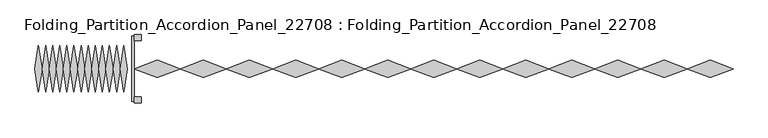
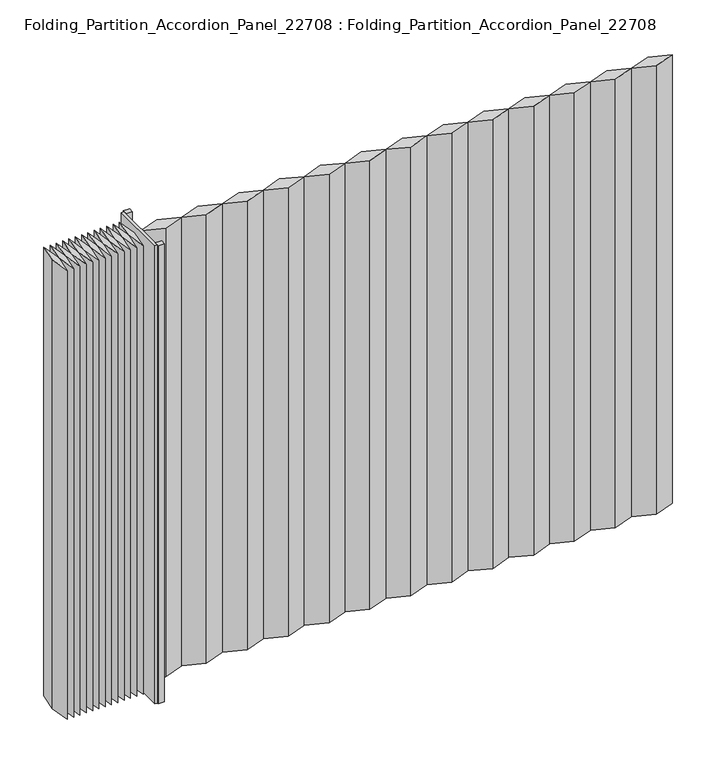
"""IFC4 building model written with IfcOpenShell, lengths in millimetres: proxy geometry, Folding_Partition_Accordion_Panel_22708 : Folding_Partition_Accordion_Panel_22708."""

from ifc_helpers import new_model, si_unit, frame, origin, origin_with_axes, place, context, project, spatial, polyline, outline, extrude, source, transform, mapped, element, save


def folding_partition_accordion_panel_22708_folding_partition_d34e0acf(model_context):
    return source(origin(), model_context, "Body", "SweptSolid", [
        extrude(outline(polyline([(-79.375, 102.9432692), (-63.5, 0.0), (-79.375, -102.9432692), (-95.25, 0.0), (-79.375, 102.9432692)])), frame((0.0, 0.0, 38.1), z_axis=(0.0, 0.0, 1.0), x_axis=(1.0, 0.0, 0.0)), (0.0, 0.0, 1.0), 2387.6),
        extrude(outline(polyline([(2541.8317308, 38.1), (2644.775, 0.0), (2541.8317308, -38.1), (2438.8884615, 0.0), (2541.8317308, 38.1)])), frame((0.0, 0.0, 38.1), z_axis=(0.0, 0.0, 1.0), x_axis=(1.0, 0.0, 0.0)), (0.0, 0.0, 1.0), 2387.6),
        extrude(outline(polyline([(-111.125, 102.9432692), (-95.25, 0.0), (-111.125, -102.9432692), (-127.0, 0.0), (-111.125, 102.9432692)])), frame((0.0, 0.0, 38.1), z_axis=(0.0, 0.0, 1.0), x_axis=(1.0, 0.0, 0.0)), (0.0, 0.0, 1.0), 2387.6),
        extrude(outline(polyline([(-142.875, 102.9432692), (-127.0, 0.0), (-142.875, -102.9432692), (-158.75, 0.0), (-142.875, 102.9432692)])), frame((0.0, 0.0, 38.1), z_axis=(0.0, 0.0, 1.0), x_axis=(1.0, 0.0, 0.0)), (0.0, 0.0, 1.0), 2387.6),
        extrude(outline(polyline([(-174.625, 102.9432692), (-158.75, 0.0), (-174.625, -102.9432692), (-190.5, 0.0), (-174.625, 102.9432692)])), frame((0.0, 0.0, 38.1), z_axis=(0.0, 0.0, 1.0), x_axis=(1.0, 0.0, 0.0)), (0.0, 0.0, 1.0), 2387.6),
        extrude(outline(polyline([(2335.9451923, 38.1), (2438.8884615, 0.0), (2335.9451923, -38.1), (2233.0019231, 0.0), (2335.9451923, 38.1)])), frame((0.0, 0.0, 38.1), z_axis=(0.0, 0.0, 1.0), x_axis=(1.0, 0.0, 0.0)), (0.0, 0.0, 1.0), 2387.6),
        extrude(outline(polyline([(2130.0586538, 38.1), (2233.0019231, 0.0), (2130.0586538, -38.1), (2027.1153846, 0.0), (2130.0586538, 38.1)])), frame((0.0, 0.0, 38.1), z_axis=(0.0, 0.0, 1.0), x_axis=(1.0, 0.0, 0.0)), (0.0, 0.0, 1.0), 2387.6),
        extrude(outline(polyline([(1924.1721154, 38.1), (2027.1153846, 0.0), (1924.1721154, -38.1), (1821.2288462, 0.0), (1924.1721154, 38.1)])), frame((0.0, 0.0, 38.1), z_axis=(0.0, 0.0, 1.0), x_axis=(1.0, 0.0, 0.0)), (0.0, 0.0, 1.0), 2387.6),
        extrude(outline(polyline([(-206.375, 102.9432692), (-190.5, 0.0), (-206.375, -102.9432692), (-222.25, 0.0), (-206.375, 102.9432692)])), frame((0.0, 0.0, 38.1), z_axis=(0.0, 0.0, 1.0), x_axis=(1.0, 0.0, 0.0)), (0.0, 0.0, 1.0), 2387.6),
        extrude(outline(polyline([(-238.125, 102.9432692), (-222.25, 0.0), (-238.125, -102.9432692), (-254.0, 0.0), (-238.125, 102.9432692)])), frame((0.0, 0.0, 38.1), z_axis=(0.0, 0.0, 1.0), x_axis=(1.0, 0.0, 0.0)), (0.0, 0.0, 1.0), 2387.6),
        extrude(outline(polyline([(-269.875, 102.9432692), (-254.0, 0.0), (-269.875, -102.9432692), (-285.75, 0.0), (-269.875, 102.9432692)])), frame((0.0, 0.0, 38.1), z_axis=(0.0, 0.0, 1.0), x_axis=(1.0, 0.0, 0.0)), (0.0, 0.0, 1.0), 2387.6),
        extrude(outline(polyline([(-301.625, 102.9432692), (-285.75, 0.0), (-301.625, -102.9432692), (-317.5, 0.0), (-301.625, 102.9432692)])), frame((0.0, 0.0, 38.1), z_axis=(0.0, 0.0, 1.0), x_axis=(1.0, 0.0, 0.0)), (0.0, 0.0, 1.0), 2387.6),
        extrude(outline(polyline([(-333.375, 102.9432692), (-317.5, 0.0), (-333.375, -102.9432692), (-349.25, 0.0), (-333.375, 102.9432692)])), frame((0.0, 0.0, 38.1), z_axis=(0.0, 0.0, 1.0), x_axis=(1.0, 0.0, 0.0)), (0.0, 0.0, 1.0), 2387.6),
        extrude(outline(polyline([(-365.125, 102.9432692), (-349.25, 0.0), (-365.125, -102.9432692), (-381.0, 0.0), (-365.125, 102.9432692)])), frame((0.0, 0.0, 38.1), z_axis=(0.0, 0.0, 1.0), x_axis=(1.0, 0.0, 0.0)), (0.0, 0.0, 1.0), 2387.6),
        extrude(outline(polyline([(-396.875, 102.9432692), (-381.0, 0.0), (-396.875, -102.9432692), (-412.75, 0.0), (-396.875, 102.9432692)])), frame((0.0, 0.0, 38.1), z_axis=(0.0, 0.0, 1.0), x_axis=(1.0, 0.0, 0.0)), (0.0, 0.0, 1.0), 2387.6),
        extrude(outline(polyline([(-428.625, 102.9432692), (-412.75, 0.0), (-428.625, -102.9432692), (-444.5, 0.0), (-428.625, 102.9432692)])), frame((0.0, 0.0, 38.1), z_axis=(0.0, 0.0, 1.0), x_axis=(1.0, 0.0, 0.0)), (0.0, 0.0, 1.0), 2387.6),
        extrude(outline(polyline([(-460.375, 102.9432692), (-444.5, 0.0), (-460.375, -102.9432692), (-476.25, 0.0), (-460.375, 102.9432692)])), frame((0.0, 0.0, 38.1), z_axis=(0.0, 0.0, 1.0), x_axis=(1.0, 0.0, 0.0)), (0.0, 0.0, 1.0), 2387.6),
        extrude(outline(polyline([(1718.2855769, 38.1), (1821.2288462, 0.0), (1718.2855769, -38.1), (1615.3423077, 0.0), (1718.2855769, 38.1)])), frame((0.0, 0.0, 38.1), z_axis=(0.0, 0.0, 1.0), x_axis=(1.0, 0.0, 0.0)), (0.0, 0.0, 1.0), 2387.6),
        extrude(outline(polyline([(1512.3990385, 38.1), (1615.3423077, 0.0), (1512.3990385, -38.1), (1409.4557692, 0.0), (1512.3990385, 38.1)])), frame((0.0, 0.0, 38.1), z_axis=(0.0, 0.0, 1.0), x_axis=(1.0, 0.0, 0.0)), (0.0, 0.0, 1.0), 2387.6),
        extrude(outline(polyline([(1306.5125, 38.1), (1409.4557692, 0.0), (1306.5125, -38.1), (1203.5692308, 0.0), (1306.5125, 38.1)])), frame((0.0, 0.0, 38.1), z_axis=(0.0, 0.0, 1.0), x_axis=(1.0, 0.0, 0.0)), (0.0, 0.0, 1.0), 2387.6),
        extrude(outline(polyline([(1100.6259615, 38.1), (1203.5692308, 0.0), (1100.6259615, -38.1), (997.6826923, 0.0), (1100.6259615, 38.1)])), frame((0.0, 0.0, 38.1), z_axis=(0.0, 0.0, 1.0), x_axis=(1.0, 0.0, 0.0)), (0.0, 0.0, 1.0), 2387.6),
        extrude(outline(polyline([(894.7394231, 38.1), (997.6826923, 0.0), (894.7394231, -38.1), (791.7961538, 0.0), (894.7394231, 38.1)])), frame((0.0, 0.0, 38.1), z_axis=(0.0, 0.0, 1.0), x_axis=(1.0, 0.0, 0.0)), (0.0, 0.0, 1.0), 2387.6),
        extrude(outline(polyline([(688.8528846, 38.1), (791.7961538, 0.0), (688.8528846, -38.1), (585.9096154, 0.0), (688.8528846, 38.1)])), frame((0.0, 0.0, 38.1), z_axis=(0.0, 0.0, 1.0), x_axis=(1.0, 0.0, 0.0)), (0.0, 0.0, 1.0), 2387.6),
        extrude(outline(polyline([(482.9663462, 38.1), (585.9096154, 0.0), (482.9663462, -38.1), (380.0230769, 0.0), (482.9663462, 38.1)])), frame((0.0, 0.0, 38.1), z_axis=(0.0, 0.0, 1.0), x_axis=(1.0, 0.0, 0.0)), (0.0, 0.0, 1.0), 2387.6),
        extrude(outline(polyline([(277.0798077, 38.1), (380.0230769, 0.0), (277.0798077, -38.1), (174.1365385, 0.0), (277.0798077, 38.1)])), frame((0.0, 0.0, 38.1), z_axis=(0.0, 0.0, 1.0), x_axis=(1.0, 0.0, 0.0)), (0.0, 0.0, 1.0), 2387.6),
        extrude(outline(polyline([(71.1932692, 38.1), (174.1365385, 0.0), (71.1932692, -38.1), (-31.75, 0.0), (71.1932692, 38.1)])), frame((0.0, 0.0, 38.1), z_axis=(0.0, 0.0, 1.0), x_axis=(1.0, 0.0, 0.0)), (0.0, 0.0, 1.0), 2387.6),
        extrude(outline(polyline([(-31.75, 127.0), (-31.75, 152.4), (0.0, 152.4), (0.0, 127.0), (-31.75, 127.0)])), origin_with_axes(), (0.0, 0.0, 1.0), 2438.4),
        extrude(outline(polyline([(-31.75, -152.4), (-31.75, -127.0), (0.0, -127.0), (0.0, -152.4), (-31.75, -152.4)])), origin_with_axes(), (0.0, 0.0, 1.0), 2438.4),
        extrude(outline(polyline([(-31.75, -146.05), (-44.45, -146.05), (-44.45, 146.05), (-31.75, 146.05), (-31.75, -146.05)])), origin_with_axes(), (0.0, 0.0, 1.0), 2438.4),
    ])


if __name__ == "__main__":
    model = new_model("IFC4")
    model_context = context("Model", 3, world=origin())
    ifc_project = project(units=[si_unit("LENGTHUNIT", "METRE", prefix="MILLI")], contexts=[model_context])
    site = spatial("IfcSite", under=ifc_project)
    building = spatial("IfcBuilding", under=site)
    placement = place(None, origin())
    folding_partition_accordion_panel_22708_folding_partition_shape = folding_partition_accordion_panel_22708_folding_partition_d34e0acf(model_context)
    element("IfcBuildingElementProxy", 1, Name="Folding_Partition_Accordion_Panel_22708 : Folding_Partition_Accordion_Panel_22708", ObjectType="Folding_Partition_Accordion_Panel_22708 : Folding_Partition_Accordion_Panel_22708", at=placement, inside=building, context=model_context, shape_type="MappedRepresentation", body=[
        mapped(folding_partition_accordion_panel_22708_folding_partition_shape, transform((0.0, 0.0, 0.0), x_axis=(1.0, 0.0, 0.0), y_axis=(0.0, 1.0, 0.0), z_axis=(0.0, 0.0, 1.0))),
    ])
    save(model, "model.ifc")
